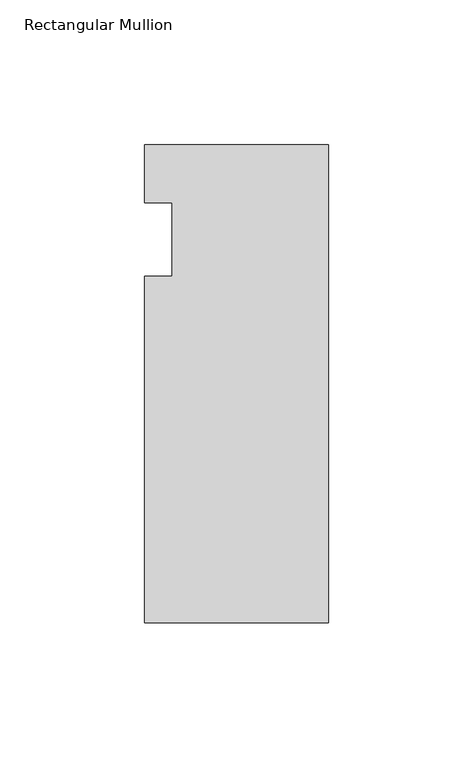
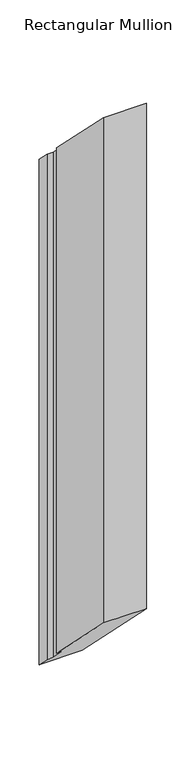
"""IFC4 building model written with IfcOpenShell, lengths in millimetres: member geometry, Rectangular Mullion."""

import ifcopenshell
import ifcopenshell.guid

model = None  # the IFC model being written
_history = None  # IfcOwnerHistory: only IFC2X3 demands one
_inside = {}  # id of a spatial element -> (the spatial element, [elements in it])
_under = {}  # id of a project, library or spatial element -> (it, [spatial elements below it])
_declared = {}  # id of a project -> (the project, [libraries it declares])
_typed = {}  # id of a type object -> (the type object, [elements of that type])
_made_of = {}  # id of a material, layer set ... -> (it, [elements and type objects made of it])


def new_model(schema):
    """Start an empty IFC model of exactly this schema.

    Asked for "IFC4X3", IfcOpenShell would pick the latest addendum, in which some entities
    have other attributes; the version numbers below select the first issue.
    IFC2X3 requires an IfcOwnerHistory on every rooted entity: one is made here for all.
    """
    global model, _history
    if schema == "IFC4X3":
        model = ifcopenshell.file(schema_version=(4, 3, 0, 0))
    else:
        model = ifcopenshell.file(schema=schema)
    _inside.clear()
    _under.clear()
    _declared.clear()
    _typed.clear()
    _made_of.clear()
    _history = None
    if model.schema == "IFC2X3":
        org = make("IfcOrganization", Name="unknown")
        user = make(
            "IfcPersonAndOrganization",
            ThePerson=make("IfcPerson", FamilyName="unknown"),
            TheOrganization=org,
        )
        app = make(
            "IfcApplication",
            ApplicationDeveloper=org,
            Version="unknown",
            ApplicationFullName="unknown",
            ApplicationIdentifier="unknown",
        )
        _history = make(
            "IfcOwnerHistory",
            OwningUser=user,
            OwningApplication=app,
            ChangeAction="ADDED",
            CreationDate=0,
        )
    return model


def make(cls, **values):
    """One entity of the class cls with the attributes given. An attribute that is None is left unset."""
    return model.create_entity(
        cls, **{name: value for name, value in values.items() if value is not None}
    )


def rooted(cls, **values):
    """An entity with a GlobalId (a new one), such as an element, a storey or a relation."""
    return make(cls, GlobalId=ifcopenshell.guid.new(), OwnerHistory=_history, **values)


def si_unit(unit_type, name, prefix=None):
    """IfcSIUnit, for example si_unit("LENGTHUNIT", "METRE", prefix="MILLI")."""
    return make("IfcSIUnit", UnitType=unit_type, Prefix=prefix, Name=name)


def assignment(units):
    """IfcUnitAssignment: the units of a project."""
    return None if units is None else make("IfcUnitAssignment", Units=units)


def point(xyz):
    """IfcCartesianPoint."""
    return None if xyz is None else make("IfcCartesianPoint", Coordinates=xyz)


def direction(xyz):
    """IfcDirection."""
    return None if xyz is None else make("IfcDirection", DirectionRatios=xyz)


def frame(location, z_axis=None, x_axis=None):
    """IfcAxis2Placement3D, a coordinate frame: its origin and axes. An axis left out is left unset."""
    return make(
        "IfcAxis2Placement3D",
        Location=point(location),
        Axis=direction(z_axis),
        RefDirection=direction(x_axis),
    )


def origin():
    """The frame at (0, 0, 0) with its axes left unset."""
    return frame((0.0, 0.0, 0.0))


def place(relative_to, where):
    """IfcLocalPlacement: puts the frame where relative to a parent placement (None: the world)."""
    return make(
        "IfcLocalPlacement", PlacementRelTo=relative_to, RelativePlacement=where
    )


def context(
    kind, dimensions, precision=None, world=None, true_north=None, identifier=None
):
    """IfcGeometricRepresentationContext, for example the 3D "Model" context."""
    return make(
        "IfcGeometricRepresentationContext",
        ContextIdentifier=identifier,
        ContextType=kind,
        CoordinateSpaceDimension=dimensions,
        Precision=precision,
        WorldCoordinateSystem=world,
        TrueNorth=true_north,
    )


def project(units=None, contexts=None):
    """IfcProject with its units and contexts."""
    return rooted(
        "IfcProject",
        Name="project",
        RepresentationContexts=contexts,
        UnitsInContext=assignment(units),
    )


def spatial(cls, under=None, at=None, **own):
    """A site, building, storey or space (cls), placed at a placement, below another one or the project."""
    s = rooted(cls, ObjectPlacement=at, **own)
    if under is not None:
        _under.setdefault(under.id(), (under, []))[1].append(s)
    return s


def faces_of(points, faces, orient=None, outer=None):
    """IfcFace entities. A face is a list of loops; a loop is a list of indices into points, from 0.

    orient and outer hold one flag for each loop. By default every Orientation is true, the
    first loop of a face is its IfcFaceOuterBound and the others are IfcFaceBound.
    """
    made = []
    for i, loops in enumerate(faces):
        bounds = []
        for j, loop in enumerate(loops):
            is_outer = j == 0 if outer is None else outer[i][j]
            bounds.append(
                make(
                    "IfcFaceOuterBound" if is_outer else "IfcFaceBound",
                    Bound=make("IfcPolyLoop", Polygon=[points[k] for k in loop]),
                    Orientation=True if orient is None else orient[i][j],
                )
            )
        made.append(make("IfcFace", Bounds=bounds))
    return made


def faceted_brep(points, faces, orient=None, outer=None, voids=None):
    """IfcFacetedBrep: a solid bounded by flat faces; with voids (closed shells), ...WithVoids."""
    shared = [point(p) for p in points]
    hull = make("IfcClosedShell", CfsFaces=faces_of(shared, faces, orient, outer))
    if voids is None:
        return make("IfcFacetedBrep", Outer=hull)
    return make(
        "IfcFacetedBrepWithVoids",
        Outer=hull,
        Voids=[
            make(cls, CfsFaces=faces_of(shared, fs, o, b)) for cls, fs, o, b in voids
        ],
    )


def shape(context_of_items, identifier, shape_type, items):
    """IfcShapeRepresentation: the items that make up one representation, for example the "Body"."""
    return make(
        "IfcShapeRepresentation",
        ContextOfItems=context_of_items,
        RepresentationIdentifier=identifier,
        RepresentationType=shape_type,
        Items=items,
    )


def source(mapping_origin, context_of_items, identifier, shape_type, items):
    """IfcRepresentationMap: a shape defined once, which mapped items show again and again."""
    return make(
        "IfcRepresentationMap",
        MappingOrigin=mapping_origin,
        MappedRepresentation=shape(context_of_items, identifier, shape_type, items),
    )


def transform(
    local_origin,
    x_axis=None,
    y_axis=None,
    z_axis=None,
    scale=None,
    scale2=None,
    scale3=None,
    uniform=True,
):
    """IfcCartesianTransformationOperator3D, or its non-uniform kind. x_axis, y_axis, z_axis: its Axis1, 2, 3."""
    if uniform:
        return make(
            "IfcCartesianTransformationOperator3D",
            Axis1=direction(x_axis),
            Axis2=direction(y_axis),
            LocalOrigin=point(local_origin),
            Scale=scale,
            Axis3=direction(z_axis),
        )
    return make(
        "IfcCartesianTransformationOperator3DnonUniform",
        Axis1=direction(x_axis),
        Axis2=direction(y_axis),
        LocalOrigin=point(local_origin),
        Scale=scale,
        Axis3=direction(z_axis),
        Scale2=scale2,
        Scale3=scale3,
    )


def mapped(mapping_source, mapping_target):
    """IfcMappedItem: shows the shape of a source again, moved by a transform."""
    return make(
        "IfcMappedItem", MappingSource=mapping_source, MappingTarget=mapping_target
    )


def made_of(thing, what):
    """Note that an element or type object is made of a material, layer set ...; save() writes the relation."""
    if what is not None:
        _made_of.setdefault(what.id(), (what, []))[1].append(thing)
    return thing


def element(
    cls,
    number,
    at=None,
    inside=None,
    cuts=None,
    type_object=None,
    material=None,
    context=None,
    identifier="Body",
    shape_type=None,
    held_by="IfcProductDefinitionShape",
    body=None,
    shapes=None,
    **own,
):
    """One element of the class cls, such as IfcWall. Its Tag is "e" and its number.

    at: its placement. inside: the storey or other place that contains it. cuts: it is an
    opening in that element (IfcRelVoidsElement). A single representation is given by context,
    identifier, shape_type and body (its items); several are given by shapes. held_by: the class
    of the entity that holds the representations. save() writes the other relations.
    """
    e = rooted(cls, Tag="e%d" % number, ObjectPlacement=at, **own)
    if body is not None:
        shapes = [shape(context, identifier, shape_type, body)]
    if shapes is not None:
        e.Representation = make(held_by, Representations=shapes)
    if inside is not None:
        _inside.setdefault(inside.id(), (inside, []))[1].append(e)
    if cuts is not None:
        rooted(
            "IfcRelVoidsElement", RelatingBuildingElement=cuts, RelatedOpeningElement=e
        )
    if type_object is not None:
        _typed.setdefault(type_object.id(), (type_object, []))[1].append(e)
    return made_of(e, material)


def aggregate(whole, parts):
    """IfcRelAggregates: a whole, such as a stair, and the parts it consists of."""
    return rooted("IfcRelAggregates", RelatingObject=whole, RelatedObjects=parts)


def save(model, path):
    """Write the relations noted so far, then the file.

    IfcRelAggregates (storeys below a building ...), IfcRelContainedInSpatialStructure (elements
    in a storey), IfcRelDefinesByType, IfcRelAssociatesMaterial and IfcRelDeclares: one each for
    every whole, place, type object, material and project.
    """
    for whole, parts in _under.values():
        aggregate(whole, parts)
    for where, things in _inside.values():
        rooted(
            "IfcRelContainedInSpatialStructure",
            RelatedElements=things,
            RelatingStructure=where,
        )
    for kind, things in _typed.values():
        rooted("IfcRelDefinesByType", RelatedObjects=things, RelatingType=kind)
    for what, things in _made_of.values():
        rooted("IfcRelAssociatesMaterial", RelatedObjects=things, RelatingMaterial=what)
    for by, libraries in _declared.values():
        rooted("IfcRelDeclares", RelatingContext=by, RelatedDefinitions=libraries)
    model.write(path)


def rectangular_mullion_4139ac73(model_context):
    return source(origin(), model_context, "Body", "Brep", [
        faceted_brep([(-63.5, 0.0, 0.0), (-63.5, 20.0421875, -20.0421875), (-63.5, 20.0421875, -807.4421875), (-63.5, 0.0, -787.4), (-53.975, 0.0, 0.0), (-53.975, 0.0, -787.4), (-53.975, -25.4, 25.4), (-53.975, -25.4, -762.0), (-63.5, -25.4, 25.4), (-63.5, -25.4, -762.0), (-63.5, -145.0578125, 145.0578125), (-63.5, -145.0578125, -642.3421875), (0.0, -145.0578125, 145.0578125), (0.0, -145.0578125, -642.3421875), (0.0, 20.0421875, -20.0421875), (0.0, 20.0421875, -807.4421875)], [[[0, 1, 2, 3]], [[4, 0, 3, 5]], [[6, 4, 5, 7]], [[8, 6, 7, 9]], [[10, 8, 9, 11]], [[12, 10, 11, 13]], [[14, 12, 13, 15]], [[1, 14, 15, 2]], [[1, 0, 4, 6, 8, 10, 12, 14]], [[2, 15, 13, 11, 9, 7, 5, 3]]]),
    ])


if __name__ == "__main__":
    model = new_model("IFC4")
    model_context = context("Model", 3, world=origin())
    ifc_project = project(units=[si_unit("LENGTHUNIT", "METRE", prefix="MILLI")], contexts=[model_context])
    site = spatial("IfcSite", under=ifc_project)
    building = spatial("IfcBuilding", under=site)
    placement = place(None, origin())
    rectangular_mullion_shape = rectangular_mullion_4139ac73(model_context)
    element("IfcMember", 1, ObjectType="Rectangular Mullion", at=placement, inside=building, context=model_context, shape_type="MappedRepresentation", body=[
        mapped(rectangular_mullion_shape, transform((0.0, 0.0, 0.0), x_axis=(1.0, 0.0, 0.0), y_axis=(0.0, 1.0, 0.0), z_axis=(0.0, 0.0, 1.0))),
    ])
    save(model, "model.ifc")
